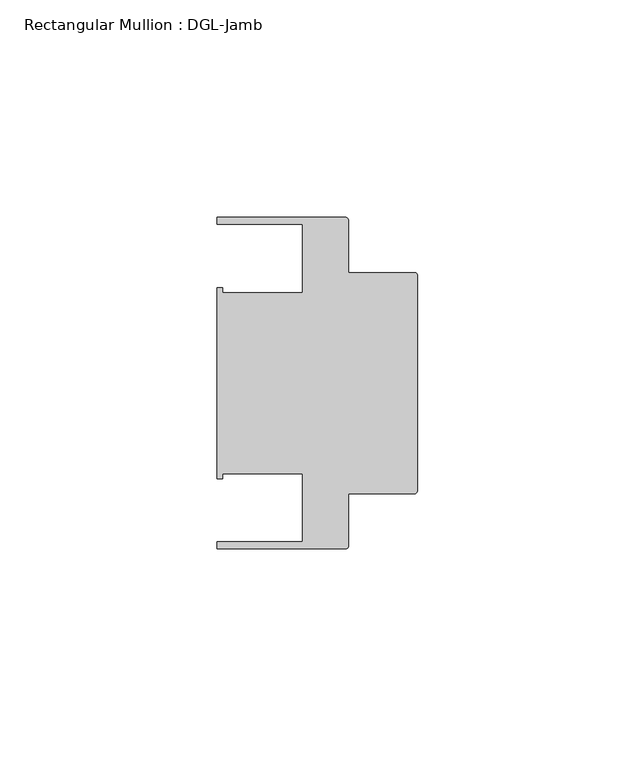
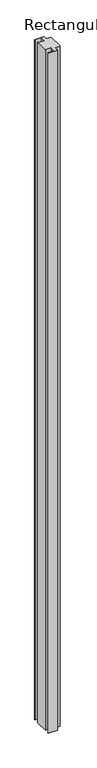
"""IFC4 building model written with IfcOpenShell, lengths in millimetres: member geometry, Rectangular Mullion : DGL-Jamb."""

from ifc_helpers import new_model, si_unit, point, frame, frame_2d, origin, place, context, project, spatial, polyline, circle_curve, trimmed, segment, composite_curve, outline, extrude, source, transform, mapped, element, save


def rectangular_mullion_dgl_jamb_2091542f(model_context):
    return source(origin(), model_context, "Body", "SweptSolid", [
        extrude(outline(composite_curve([segment(trimmed(circle_curve(frame_2d((-0.5953125, 24.8046875)), 0.5953125), [point((-0.5953125, 25.4))], [point((0.0, 24.8046875))], False, "CARTESIAN"), True, "CONTINUOUS"), segment(polyline([(0.0, 24.8046875), (0.0, -24.8046875)]), True, "CONTINUOUS"), segment(trimmed(circle_curve(frame_2d((-0.5953125, -24.8046875)), 0.5953125), [point((0.0, -24.8046875))], [point((-0.5953125, -25.4))], False, "CARTESIAN"), True, "CONTINUOUS"), segment(polyline([(-0.5953125, -25.4), (-15.8750672, -25.4), (-15.8750672, -37.5047035)]), True, "CONTINUOUS"), segment(trimmed(circle_curve(frame_2d((-16.4703797, -37.5047035)), 0.5953125), [point((-15.8750672, -37.5047035))], [point((-16.4703797, -38.100016))], False, "CARTESIAN"), True, "CONTINUOUS"), segment(polyline([(-16.4703797, -38.100016), (-46.0248655, -38.100016), (-46.0248655, -36.512516), (-26.3720794, -36.512516), (-26.3720794, -20.8257348), (-44.7780305, -20.8257348), (-44.7780305, -21.9710976), (-46.0339598, -21.9710976), (-46.0339598, 21.9710976), (-44.7780305, 21.9710976), (-44.7780305, 20.8257348), (-26.3720794, 20.8257348), (-26.3720794, 36.512516), (-46.0339598, 36.512516), (-46.0339598, 38.0996792), (-16.4703797, 38.0996792)]), True, "CONTINUOUS"), segment(trimmed(circle_curve(frame_2d((-16.4703797, 37.5043667)), 0.5953125), [point((-16.4703797, 38.0996792))], [point((-15.8750672, 37.5043667))], False, "CARTESIAN"), True, "CONTINUOUS"), segment(polyline([(-15.8750672, 37.5043667), (-15.8750672, 25.4), (-0.5953125, 25.4)]), True, "CONTINUOUS")], self_intersect=False)), frame((0.0, 0.0, -2339.4622278), z_axis=(0.0, 0.0, 1.0), x_axis=(1.0, 0.0, 0.0)), (0.0, 0.0, 1.0), 2339.4622278),
    ])


if __name__ == "__main__":
    model = new_model("IFC4")
    model_context = context("Model", 3, world=origin())
    ifc_project = project(units=[si_unit("LENGTHUNIT", "METRE", prefix="MILLI")], contexts=[model_context])
    site = spatial("IfcSite", under=ifc_project)
    building = spatial("IfcBuilding", under=site)
    placement = place(None, origin())
    rectangular_mullion_dgl_jamb_shape = rectangular_mullion_dgl_jamb_2091542f(model_context)
    element("IfcMember", 1, ObjectType="Rectangular Mullion : DGL-Jamb", at=placement, inside=building, context=model_context, shape_type="MappedRepresentation", body=[
        mapped(rectangular_mullion_dgl_jamb_shape, transform((0.0, 0.0, 0.0), x_axis=(1.0, 0.0, 0.0), y_axis=(0.0, 1.0, 0.0), z_axis=(0.0, 0.0, 1.0))),
    ])
    save(model, "model.ifc")
